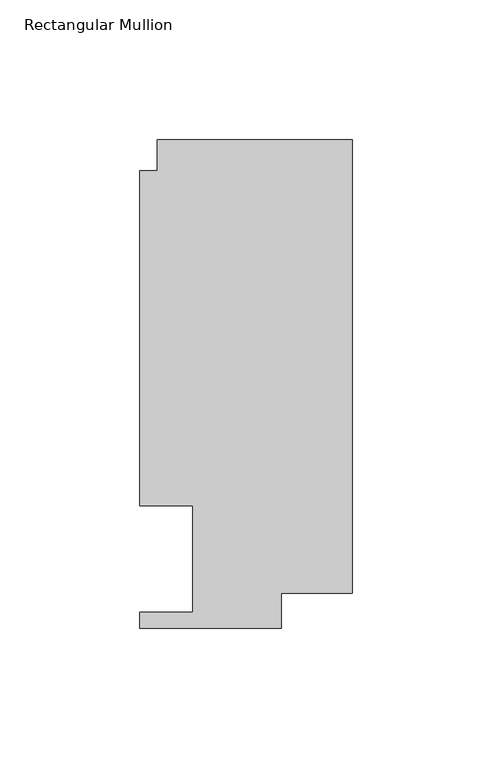
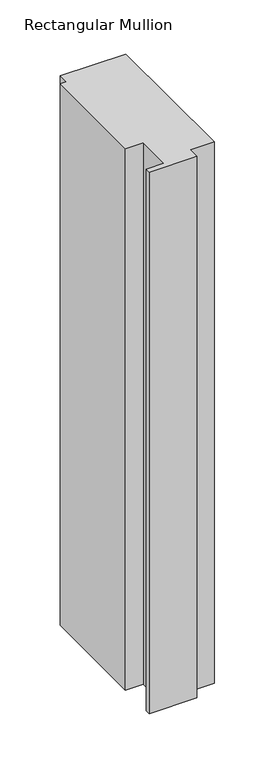
"""IFC4 building model written with IfcOpenShell, lengths in millimetres: member geometry, Rectangular Mullion."""

from ifc_helpers import new_model, si_unit, frame, origin, place, context, project, spatial, polyline, outline, extrude, source, transform, mapped, element, save


def rectangular_mullion_7987044f(model_context):
    return source(origin(), model_context, "Body", "SweptSolid", [
        extrude(outline(polyline([(-69.8417664, 163.068), (0.0, 163.068), (0.0, 0.3801778), (-25.4044662, 0.3801778), (-25.4044662, -12.065), (-76.2171663, -12.065), (-76.2171663, -6.35), (-57.1417663, -6.35), (-57.1417663, 31.75), (-76.1917663, 31.75), (-76.1917663, 151.892), (-69.8417664, 151.892), (-69.8417664, 163.068)])), frame((0.0, 0.0, -609.6), z_axis=(0.0, 0.0, 1.0), x_axis=(1.0, 0.0, 0.0)), (0.0, 0.0, 1.0), 609.6),
    ])


if __name__ == "__main__":
    model = new_model("IFC4")
    model_context = context("Model", 3, world=origin())
    ifc_project = project(units=[si_unit("LENGTHUNIT", "METRE", prefix="MILLI")], contexts=[model_context])
    site = spatial("IfcSite", under=ifc_project)
    building = spatial("IfcBuilding", under=site)
    placement = place(None, origin())
    rectangular_mullion_shape = rectangular_mullion_7987044f(model_context)
    element("IfcMember", 1, ObjectType="Rectangular Mullion", at=placement, inside=building, context=model_context, shape_type="MappedRepresentation", body=[
        mapped(rectangular_mullion_shape, transform((0.0, 0.0, 0.0), x_axis=(1.0, 0.0, 0.0), y_axis=(0.0, 1.0, 0.0), z_axis=(0.0, 0.0, 1.0))),
    ])
    save(model, "model.ifc")
